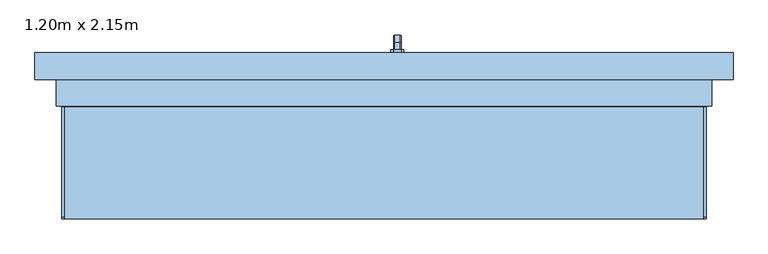
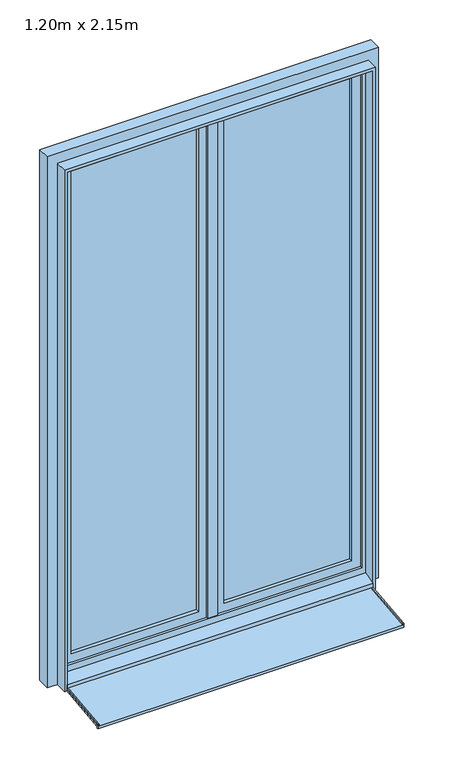
"""IFC4 building model written with IfcOpenShell, lengths in millimetres: window geometry, 1.20m x 2.15m."""

from ifc_helpers import new_model, si_unit, point, frame, frame_2d, origin, place, context, project, spatial, polyline, circle_curve, trimmed, segment, composite_curve, outline, extrude, faceted_brep, source, transform, mapped, element, save


def window_1_20m_x_2_15m_b49f86db(model_context):
    return source(origin(), model_context, "Body", "SolidModel", [
        faceted_brep([(30.6460097, 156.0, 1122.0339292), (19.3539903, 156.0, 1122.0339292), (17.9660708, 156.0, 1120.6460097), (17.9660708, 156.0, 1109.3323012), (19.3323012, 156.0, 1107.9660708), (30.6676988, 156.0, 1107.9660708), (32.0339292, 156.0, 1109.3323012), (32.0339292, 156.0, 1120.6460097), (32.0339292, 168.3386538, 1120.6460097), (30.6460097, 168.9135489, 1122.0339292), (32.0339292, 163.6523623, 1109.3323012), (32.0339292, 170.3323012, 1102.6523623), (32.0339292, 170.3323012, 1020.0), (32.0339292, 181.6460097, 1020.0), (32.0339292, 181.6460097, 1107.3386538), (30.6676988, 163.0864511, 1107.9660708), (19.3323012, 163.0864511, 1107.9660708), (17.9660708, 163.6523623, 1109.3323012), (17.9660708, 168.3386538, 1120.6460097), (17.9660708, 181.6460097, 1107.3386538), (17.9660708, 181.6460097, 1020.0), (17.9660708, 170.3323012, 1020.0), (17.9660708, 170.3323012, 1102.6523623), (19.3539903, 168.9135489, 1122.0339292), (30.6460097, 183.0339292, 1107.9135489), (30.6676988, 168.9660708, 1102.0864511), (19.3323012, 168.9660708, 1102.0864511), (19.3539903, 183.0339292, 1107.9135489), (30.6460097, 183.0339292, 1020.0), (30.6676988, 168.9660708, 1020.0), (19.3323012, 168.9660708, 1020.0), (19.3539903, 183.0339292, 1020.0)], [[[0, 1, 2, 3, 4, 5, 6, 7]], [[7, 8, 9, 0]], [[6, 10, 11, 12, 13, 14, 8, 7]], [[5, 15, 10, 6]], [[4, 16, 15, 5]], [[3, 17, 16, 4]], [[2, 18, 19, 20, 21, 22, 17, 3]], [[1, 23, 18, 2]], [[0, 9, 23, 1]], [[8, 14, 24, 9]], [[15, 25, 11, 10]], [[16, 26, 25, 15]], [[17, 22, 26, 16]], [[23, 27, 19, 18]], [[9, 24, 27, 23]], [[28, 13, 12, 29, 30, 21, 20, 31]], [[14, 13, 28, 24]], [[25, 29, 12, 11]], [[26, 30, 29, 25]], [[22, 21, 30, 26]], [[27, 31, 20, 19]], [[24, 28, 31, 27]]]),
        extrude(outline(polyline([(1140.0, 32.0), (1140.0, 18.0), (1135.0, 13.0), (1065.0, 13.0), (1060.0, 18.0), (1060.0, 32.0), (1065.0, 37.0), (1135.0, 37.0), (1140.0, 32.0)])), frame((0.0, 150.0, 0.0), z_axis=(0.0, 1.0, 0.0), x_axis=(0.0, 0.0, 1.0)), (0.0, 0.0, 1.0), 6.0),
        extrude(outline(polyline([(-160.0288776, 16.0782025), (65.0, 39.7296906), (65.0, 50.0), (70.0, 50.0), (70.0, 35.0), (-155.0288776, 11.3485119), (-155.0288776, 5.5255212), (-160.0288776, 5.0), (-160.0288776, 16.0782025)])), frame((-600.0, 0.0, 0.0), z_axis=(1.0, 0.0, 0.0), x_axis=(0.0, 1.0, 0.0)), (0.0, 0.0, 1.0), 1200.0),
        extrude(outline(composite_curve([segment(polyline([(-160.0288776, 16.0782025), (-160.0288776, 17.5041277)]), True, "CONTINUOUS"), segment(trimmed(circle_curve(frame_2d((-156.0288776, 17.5041277)), 4.0), [point((-160.0288776, 17.5041277))], [point((-156.4469915, 21.4822153))], False, "CARTESIAN"), True, "CONTINUOUS"), segment(polyline([(-156.4469915, 21.4822153), (65.0, 44.757232), (65.0, 39.7296906), (-160.0288776, 16.0782025)]), True, "CONTINUOUS")], self_intersect=False)), frame((-600.0, 0.0, 0.0), z_axis=(1.0, 0.0, 0.0), x_axis=(0.0, 1.0, 0.0)), (0.0, 0.0, 1.0), 5.0),
        extrude(outline(composite_curve([segment(polyline([(-160.0288776, 16.0782025), (-160.0288776, 17.5041277)]), True, "CONTINUOUS"), segment(trimmed(circle_curve(frame_2d((-156.0288776, 17.5041277)), 4.0), [point((-160.0288776, 17.5041277))], [point((-156.4469915, 21.4822153))], False, "CARTESIAN"), True, "CONTINUOUS"), segment(polyline([(-156.4469915, 21.4822153), (65.0, 44.757232), (65.0, 39.7296906), (-160.0288776, 16.0782025)]), True, "CONTINUOUS")], self_intersect=False)), frame((595.0, 0.0, 0.0), z_axis=(1.0, 0.0, 0.0), x_axis=(0.0, 1.0, 0.0)), (0.0, 0.0, 1.0), 5.0),
        extrude(outline(polyline([(85.0, -600.0), (85.0, 0.0), (2185.0, 0.0), (2185.0, -600.0), (85.0, -600.0)]), holes=[polyline([(135.0, -50.0), (135.0, -550.0), (2135.0, -550.0), (2135.0, -50.0), (135.0, -50.0)])]), frame((0.0, 110.0, 0.0), z_axis=(0.0, 1.0, 0.0), x_axis=(0.0, 0.0, 1.0)), (0.0, 0.0, 1.0), 40.0),
        extrude(outline(polyline([(50.0, 124.0), (50.0, 136.0), (550.0, 136.0), (550.0, 124.0), (50.0, 124.0)])), frame((0.0, 0.0, 135.0), z_axis=(0.0, 0.0, 1.0), x_axis=(1.0, 0.0, 0.0)), (0.0, 0.0, 1.0), 2000.0),
        extrude(outline(polyline([(-550.0, 124.0), (-550.0, 136.0), (-50.0, 136.0), (-50.0, 124.0), (-550.0, 124.0)])), frame((0.0, 0.0, 135.0), z_axis=(0.0, 0.0, 1.0), x_axis=(1.0, 0.0, 0.0)), (0.0, 0.0, 1.0), 2000.0),
        extrude(outline(polyline([(85.0, 0.0), (85.0, 600.0), (2185.0, 600.0), (2185.0, 0.0), (85.0, 0.0)]), holes=[polyline([(135.0, 550.0), (135.0, 50.0), (2135.0, 50.0), (2135.0, 550.0), (135.0, 550.0)])]), frame((0.0, 110.0, 0.0), z_axis=(0.0, 1.0, 0.0), x_axis=(0.0, 0.0, 1.0)), (0.0, 0.0, 1.0), 40.0),
        faceted_brep([(-650.0, 150.0, 35.0), (650.0, 150.0, 35.0), (650.0, 100.0, 35.0), (600.0, 100.0, 35.0), (600.0, 70.0, 35.0), (-600.0, 70.0, 35.0), (-600.0, 100.0, 35.0), (-650.0, 100.0, 35.0), (-650.0, 100.0, 2235.0), (-650.0, 150.0, 2235.0), (-600.0, 100.0, 74.3761425), (600.0, 100.0, 74.3761425), (650.0, 100.0, 2235.0), (-585.0, 100.0, 2170.0), (585.0, 100.0, 2170.0), (585.0, 100.0, 100.0), (-585.0, 100.0, 100.0), (-600.0, 70.0, 50.0), (-600.0, 60.0, 50.0), (-600.0, 60.0, 45.0), (-600.0, 50.0, 45.0), (-600.0, 50.0, 60.9786829), (600.0, 70.0, 50.0), (600.0, 50.0, 60.9786829), (600.0, 50.0, 45.0), (600.0, 60.0, 45.0), (600.0, 60.0, 50.0), (650.0, 150.0, 2235.0), (600.0, 150.0, 2185.0), (-600.0, 150.0, 2185.0), (-600.0, 150.0, 85.0), (600.0, 150.0, 85.0), (-585.0, 110.0, 100.0), (-585.0, 110.0, 2170.0), (585.0, 110.0, 100.0), (585.0, 110.0, 2170.0), (600.0, 110.0, 2185.0), (600.0, 110.0, 85.0), (-600.0, 110.0, 85.0), (-600.0, 110.0, 2185.0)], [[[0, 1, 2, 3, 4, 5, 6, 7]], [[7, 8, 9, 0]], [[7, 6, 10, 11, 3, 2, 12, 8], [13, 14, 15, 16]], [[10, 6, 5, 17, 18, 19, 20, 21]], [[5, 4, 22, 17]], [[4, 3, 11, 23, 24, 25, 26, 22]], [[2, 1, 27, 12]], [[0, 9, 27, 1], [28, 29, 30, 31]], [[13, 16, 32, 33]], [[32, 16, 15, 34]], [[35, 34, 15, 14]], [[21, 23, 11, 10]], [[36, 37, 38, 39], [33, 32, 34, 35]], [[38, 30, 29, 39]], [[30, 38, 37, 31]], [[28, 31, 37, 36]], [[20, 24, 23, 21]], [[19, 25, 24, 20]], [[18, 26, 25, 19]], [[17, 22, 26, 18]], [[13, 33, 35, 14]], [[39, 29, 28, 36]], [[12, 27, 9, 8]]]),
        extrude(outline(polyline([(35.0, -600.0), (2185.0, -600.0), (2185.0, 600.0), (35.0, 600.0), (35.0, 610.0), (2195.0, 610.0), (2195.0, -610.0), (35.0, -610.0), (35.0, -600.0)])), frame((0.0, 50.0, 0.0), z_axis=(0.0, 1.0, 0.0), x_axis=(0.0, 0.0, 1.0)), (0.0, 0.0, 1.0), 50.0),
        extrude(outline(polyline([(20.0, 102.0), (-20.0, 102.0), (-20.0, 110.0), (20.0, 110.0), (20.0, 102.0)])), frame((0.0, 0.0, 100.0), z_axis=(0.0, 0.0, 1.0), x_axis=(1.0, 0.0, 0.0)), (0.0, 0.0, 1.0), 2070.0),
    ])


if __name__ == "__main__":
    model = new_model("IFC4")
    model_context = context("Model", 3, world=origin())
    ifc_project = project(units=[si_unit("LENGTHUNIT", "METRE", prefix="MILLI")], contexts=[model_context])
    site = spatial("IfcSite", under=ifc_project)
    building = spatial("IfcBuilding", under=site)
    placement = place(None, origin())
    window_1_20m_x_2_15m_shape = window_1_20m_x_2_15m_b49f86db(model_context)
    element("IfcWindow", 1, ObjectType="1.20m x 2.15m", at=placement, inside=building, context=model_context, shape_type="MappedRepresentation", body=[
        mapped(window_1_20m_x_2_15m_shape, transform((0.0, 0.0, 0.0), x_axis=(1.0, 0.0, 0.0), y_axis=(0.0, 1.0, 0.0), z_axis=(0.0, 0.0, 1.0))),
    ])
    save(model, "model.ifc")
